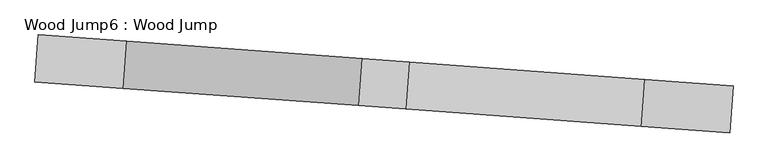
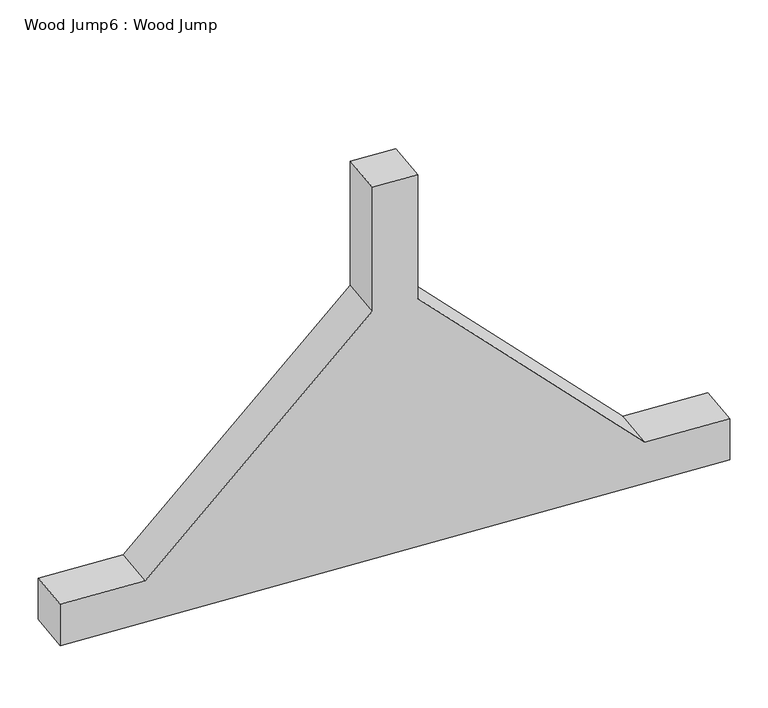
"""IFC4 building model written with IfcOpenShell, lengths in millimetres: proxy geometry, Wood Jump6 : Wood Jump."""

from ifc_helpers import new_model, si_unit, frame, origin, place, context, project, spatial, polyline, outline, extrude, source, transform, mapped, element, save


def wood_jump6_wood_jump_8bd8a3ac(model_context):
    return source(origin(), model_context, "Body", "SweptSolid", [
        extrude(outline(polyline([(-1498.6, 0.0), (0.0, 0.0), (0.0, -101.6), (-190.5, -101.6), (-698.5, -609.6), (-698.5, -914.4), (-800.1, -914.4), (-800.1, -609.6), (-1308.1, -101.6), (-1498.6, -101.6), (-1498.6, 0.0)])), frame((145413.5348007, 10612.4483479, 0.0), z_axis=(0.07354578365650077, 0.9972918417927378, 0.0), x_axis=(0.9972918417927378, -0.07354578365650077, 0.0)), (0.0, 0.0, 1.0), 101.6),
    ])


if __name__ == "__main__":
    model = new_model("IFC4")
    model_context = context("Model", 3, world=origin())
    ifc_project = project(units=[si_unit("LENGTHUNIT", "METRE", prefix="MILLI")], contexts=[model_context])
    site = spatial("IfcSite", under=ifc_project)
    building = spatial("IfcBuilding", under=site)
    placement = place(None, origin())
    wood_jump6_wood_jump_shape = wood_jump6_wood_jump_8bd8a3ac(model_context)
    element("IfcBuildingElementProxy", 1, Name="Wood Jump6 : Wood Jump", ObjectType="Wood Jump6 : Wood Jump", at=placement, inside=building, context=model_context, shape_type="MappedRepresentation", body=[
        mapped(wood_jump6_wood_jump_shape, transform((0.0, 0.0, 0.0), x_axis=(1.0, 0.0, 0.0), y_axis=(0.0, 1.0, 0.0), z_axis=(0.0, 0.0, 1.0))),
    ])
    save(model, "model.ifc")
